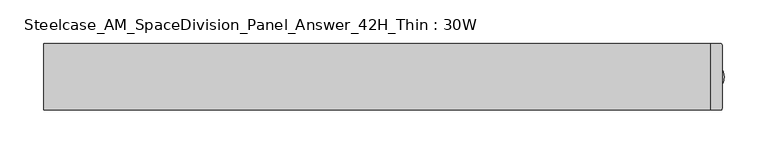
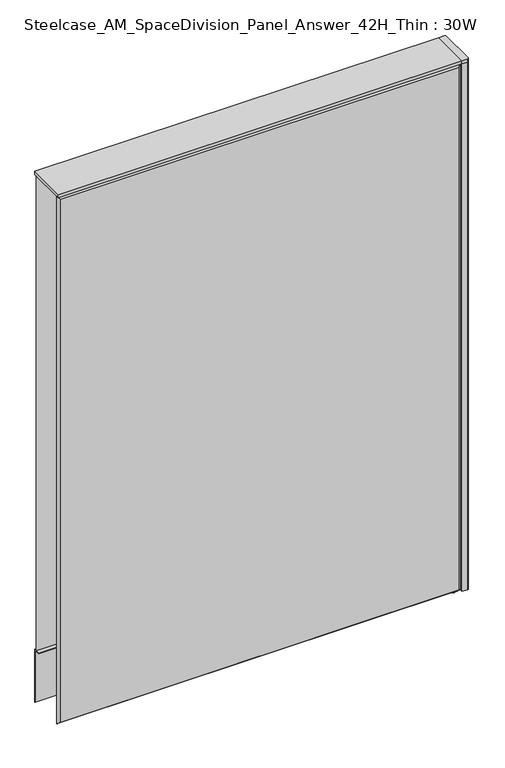
"""IFC4 building model written with IfcOpenShell, lengths in millimetres: furniture geometry, Steelcase_AM_SpaceDivision_Panel_Answer_42H_Thin : 30W."""

import ifcopenshell
import ifcopenshell.guid

model = None  # the IFC model being written
_history = None  # IfcOwnerHistory: only IFC2X3 demands one
_inside = {}  # id of a spatial element -> (the spatial element, [elements in it])
_under = {}  # id of a project, library or spatial element -> (it, [spatial elements below it])
_declared = {}  # id of a project -> (the project, [libraries it declares])
_typed = {}  # id of a type object -> (the type object, [elements of that type])
_made_of = {}  # id of a material, layer set ... -> (it, [elements and type objects made of it])


def new_model(schema):
    """Start an empty IFC model of exactly this schema.

    Asked for "IFC4X3", IfcOpenShell would pick the latest addendum, in which some entities
    have other attributes; the version numbers below select the first issue.
    IFC2X3 requires an IfcOwnerHistory on every rooted entity: one is made here for all.
    """
    global model, _history
    if schema == "IFC4X3":
        model = ifcopenshell.file(schema_version=(4, 3, 0, 0))
    else:
        model = ifcopenshell.file(schema=schema)
    _inside.clear()
    _under.clear()
    _declared.clear()
    _typed.clear()
    _made_of.clear()
    _history = None
    if model.schema == "IFC2X3":
        org = make("IfcOrganization", Name="unknown")
        user = make(
            "IfcPersonAndOrganization",
            ThePerson=make("IfcPerson", FamilyName="unknown"),
            TheOrganization=org,
        )
        app = make(
            "IfcApplication",
            ApplicationDeveloper=org,
            Version="unknown",
            ApplicationFullName="unknown",
            ApplicationIdentifier="unknown",
        )
        _history = make(
            "IfcOwnerHistory",
            OwningUser=user,
            OwningApplication=app,
            ChangeAction="ADDED",
            CreationDate=0,
        )
    return model


def make(cls, **values):
    """One entity of the class cls with the attributes given. An attribute that is None is left unset."""
    return model.create_entity(
        cls, **{name: value for name, value in values.items() if value is not None}
    )


def rooted(cls, **values):
    """An entity with a GlobalId (a new one), such as an element, a storey or a relation."""
    return make(cls, GlobalId=ifcopenshell.guid.new(), OwnerHistory=_history, **values)


def si_unit(unit_type, name, prefix=None):
    """IfcSIUnit, for example si_unit("LENGTHUNIT", "METRE", prefix="MILLI")."""
    return make("IfcSIUnit", UnitType=unit_type, Prefix=prefix, Name=name)


def assignment(units):
    """IfcUnitAssignment: the units of a project."""
    return None if units is None else make("IfcUnitAssignment", Units=units)


def point(xyz):
    """IfcCartesianPoint."""
    return None if xyz is None else make("IfcCartesianPoint", Coordinates=xyz)


def direction(xyz):
    """IfcDirection."""
    return None if xyz is None else make("IfcDirection", DirectionRatios=xyz)


def frame(location, z_axis=None, x_axis=None):
    """IfcAxis2Placement3D, a coordinate frame: its origin and axes. An axis left out is left unset."""
    return make(
        "IfcAxis2Placement3D",
        Location=point(location),
        Axis=direction(z_axis),
        RefDirection=direction(x_axis),
    )


def frame_2d(location, x_axis=None):
    """IfcAxis2Placement2D, a coordinate frame in the plane: its origin and x axis."""
    return make(
        "IfcAxis2Placement2D", Location=point(location), RefDirection=direction(x_axis)
    )


def origin():
    """The frame at (0, 0, 0) with its axes left unset."""
    return frame((0.0, 0.0, 0.0))


def place(relative_to, where):
    """IfcLocalPlacement: puts the frame where relative to a parent placement (None: the world)."""
    return make(
        "IfcLocalPlacement", PlacementRelTo=relative_to, RelativePlacement=where
    )


def context(
    kind, dimensions, precision=None, world=None, true_north=None, identifier=None
):
    """IfcGeometricRepresentationContext, for example the 3D "Model" context."""
    return make(
        "IfcGeometricRepresentationContext",
        ContextIdentifier=identifier,
        ContextType=kind,
        CoordinateSpaceDimension=dimensions,
        Precision=precision,
        WorldCoordinateSystem=world,
        TrueNorth=true_north,
    )


def project(units=None, contexts=None):
    """IfcProject with its units and contexts."""
    return rooted(
        "IfcProject",
        Name="project",
        RepresentationContexts=contexts,
        UnitsInContext=assignment(units),
    )


def spatial(cls, under=None, at=None, **own):
    """A site, building, storey or space (cls), placed at a placement, below another one or the project."""
    s = rooted(cls, ObjectPlacement=at, **own)
    if under is not None:
        _under.setdefault(under.id(), (under, []))[1].append(s)
    return s


def polyline(points):
    """IfcPolyline through the points."""
    return make("IfcPolyline", Points=[point(p) for p in points])


def circle_curve(where, radius):
    """IfcCircle in the frame where."""
    return make("IfcCircle", Position=where, Radius=radius)


def trimmed(basis, trim1, trim2, sense, master):
    """IfcTrimmedCurve: the piece of a basis curve between two trims."""
    return make(
        "IfcTrimmedCurve",
        BasisCurve=basis,
        Trim1=trim1,
        Trim2=trim2,
        SenseAgreement=sense,
        MasterRepresentation=master,
    )


def segment(curve, same_sense, transition):
    """IfcCompositeCurveSegment."""
    return make(
        "IfcCompositeCurveSegment",
        Transition=transition,
        SameSense=same_sense,
        ParentCurve=curve,
    )


def composite_curve(segments, self_intersect=None):
    """IfcCompositeCurve: segments joined end to end."""
    return make("IfcCompositeCurve", Segments=segments, SelfIntersect=self_intersect)


def outline(outer, holes=None, kind="AREA"):
    """IfcArbitraryClosedProfileDef: a profile drawn as a closed curve; with holes, ...WithVoids."""
    if holes is None:
        return make("IfcArbitraryClosedProfileDef", ProfileType=kind, OuterCurve=outer)
    return make(
        "IfcArbitraryProfileDefWithVoids",
        ProfileType=kind,
        OuterCurve=outer,
        InnerCurves=holes,
    )


def extrude(swept, where, along, depth):
    """IfcExtrudedAreaSolid: the profile swept, set in the frame where, extruded along a direction by depth."""
    return make(
        "IfcExtrudedAreaSolid",
        SweptArea=swept,
        Position=where,
        ExtrudedDirection=direction(along),
        Depth=depth,
    )


def faces_of(points, faces, orient=None, outer=None):
    """IfcFace entities. A face is a list of loops; a loop is a list of indices into points, from 0.

    orient and outer hold one flag for each loop. By default every Orientation is true, the
    first loop of a face is its IfcFaceOuterBound and the others are IfcFaceBound.
    """
    made = []
    for i, loops in enumerate(faces):
        bounds = []
        for j, loop in enumerate(loops):
            is_outer = j == 0 if outer is None else outer[i][j]
            bounds.append(
                make(
                    "IfcFaceOuterBound" if is_outer else "IfcFaceBound",
                    Bound=make("IfcPolyLoop", Polygon=[points[k] for k in loop]),
                    Orientation=True if orient is None else orient[i][j],
                )
            )
        made.append(make("IfcFace", Bounds=bounds))
    return made


def faceted_brep(points, faces, orient=None, outer=None, voids=None):
    """IfcFacetedBrep: a solid bounded by flat faces; with voids (closed shells), ...WithVoids."""
    shared = [point(p) for p in points]
    hull = make("IfcClosedShell", CfsFaces=faces_of(shared, faces, orient, outer))
    if voids is None:
        return make("IfcFacetedBrep", Outer=hull)
    return make(
        "IfcFacetedBrepWithVoids",
        Outer=hull,
        Voids=[
            make(cls, CfsFaces=faces_of(shared, fs, o, b)) for cls, fs, o, b in voids
        ],
    )


def shape(context_of_items, identifier, shape_type, items):
    """IfcShapeRepresentation: the items that make up one representation, for example the "Body"."""
    return make(
        "IfcShapeRepresentation",
        ContextOfItems=context_of_items,
        RepresentationIdentifier=identifier,
        RepresentationType=shape_type,
        Items=items,
    )


def source(mapping_origin, context_of_items, identifier, shape_type, items):
    """IfcRepresentationMap: a shape defined once, which mapped items show again and again."""
    return make(
        "IfcRepresentationMap",
        MappingOrigin=mapping_origin,
        MappedRepresentation=shape(context_of_items, identifier, shape_type, items),
    )


def transform(
    local_origin,
    x_axis=None,
    y_axis=None,
    z_axis=None,
    scale=None,
    scale2=None,
    scale3=None,
    uniform=True,
):
    """IfcCartesianTransformationOperator3D, or its non-uniform kind. x_axis, y_axis, z_axis: its Axis1, 2, 3."""
    if uniform:
        return make(
            "IfcCartesianTransformationOperator3D",
            Axis1=direction(x_axis),
            Axis2=direction(y_axis),
            LocalOrigin=point(local_origin),
            Scale=scale,
            Axis3=direction(z_axis),
        )
    return make(
        "IfcCartesianTransformationOperator3DnonUniform",
        Axis1=direction(x_axis),
        Axis2=direction(y_axis),
        LocalOrigin=point(local_origin),
        Scale=scale,
        Axis3=direction(z_axis),
        Scale2=scale2,
        Scale3=scale3,
    )


def mapped(mapping_source, mapping_target):
    """IfcMappedItem: shows the shape of a source again, moved by a transform."""
    return make(
        "IfcMappedItem", MappingSource=mapping_source, MappingTarget=mapping_target
    )


def made_of(thing, what):
    """Note that an element or type object is made of a material, layer set ...; save() writes the relation."""
    if what is not None:
        _made_of.setdefault(what.id(), (what, []))[1].append(thing)
    return thing


def element(
    cls,
    number,
    at=None,
    inside=None,
    cuts=None,
    type_object=None,
    material=None,
    context=None,
    identifier="Body",
    shape_type=None,
    held_by="IfcProductDefinitionShape",
    body=None,
    shapes=None,
    **own,
):
    """One element of the class cls, such as IfcWall. Its Tag is "e" and its number.

    at: its placement. inside: the storey or other place that contains it. cuts: it is an
    opening in that element (IfcRelVoidsElement). A single representation is given by context,
    identifier, shape_type and body (its items); several are given by shapes. held_by: the class
    of the entity that holds the representations. save() writes the other relations.
    """
    e = rooted(cls, Tag="e%d" % number, ObjectPlacement=at, **own)
    if body is not None:
        shapes = [shape(context, identifier, shape_type, body)]
    if shapes is not None:
        e.Representation = make(held_by, Representations=shapes)
    if inside is not None:
        _inside.setdefault(inside.id(), (inside, []))[1].append(e)
    if cuts is not None:
        rooted(
            "IfcRelVoidsElement", RelatingBuildingElement=cuts, RelatedOpeningElement=e
        )
    if type_object is not None:
        _typed.setdefault(type_object.id(), (type_object, []))[1].append(e)
    return made_of(e, material)


def aggregate(whole, parts):
    """IfcRelAggregates: a whole, such as a stair, and the parts it consists of."""
    return rooted("IfcRelAggregates", RelatingObject=whole, RelatedObjects=parts)


def save(model, path):
    """Write the relations noted so far, then the file.

    IfcRelAggregates (storeys below a building ...), IfcRelContainedInSpatialStructure (elements
    in a storey), IfcRelDefinesByType, IfcRelAssociatesMaterial and IfcRelDeclares: one each for
    every whole, place, type object, material and project.
    """
    for whole, parts in _under.values():
        aggregate(whole, parts)
    for where, things in _inside.values():
        rooted(
            "IfcRelContainedInSpatialStructure",
            RelatedElements=things,
            RelatingStructure=where,
        )
    for kind, things in _typed.values():
        rooted("IfcRelDefinesByType", RelatedObjects=things, RelatingType=kind)
    for what, things in _made_of.values():
        rooted("IfcRelAssociatesMaterial", RelatedObjects=things, RelatingMaterial=what)
    for by, libraries in _declared.values():
        rooted("IfcRelDeclares", RelatingContext=by, RelatedDefinitions=libraries)
    model.write(path)


def steelcase_am_spacedivision_panel_answer_42h_thin_30w_ed935725(model_context):
    return source(origin(), model_context, "Body", "SolidModel", [
        extrude(outline(polyline([(37.3075215, 119.8575157), (25.4000011, 119.8575157), (25.4000011, 120.65), (38.1000194, 120.65), (38.1000194, 15.494), (37.3075215, 15.494), (37.3075215, 119.8575157)])), frame((-381.0, 0.0, 0.0), z_axis=(1.0, 0.0, 0.0), x_axis=(0.0, 1.0, 0.0)), (0.0, 0.0, 1.0), 762.0),
        extrude(outline(composite_curve([segment(trimmed(circle_curve(frame_2d((381.0, 1.94e-05)), 5.08), [point((386.08, 1.94e-05))], [point((375.92, 1.94e-05))], False, "CARTESIAN"), True, "CONTINUOUS"), segment(trimmed(circle_curve(frame_2d((381.0, 1.94e-05)), 5.08), [point((375.92, 1.94e-05))], [point((386.08, 1.94e-05))], False, "CARTESIAN"), True, "CONTINUOUS")], self_intersect=False)), frame((0.0, 0.0, 5.0799671), z_axis=(0.0, 0.0, 1.0), x_axis=(1.0, 0.0, 0.0)), (0.0, 0.0, 1.0), 10.414),
        extrude(outline(composite_curve([segment(trimmed(circle_curve(frame_2d((381.0, 1.94e-05)), 15.24), [point((396.24, 1.94e-05))], [point((365.76, 1.94e-05))], False, "CARTESIAN"), True, "CONTINUOUS"), segment(trimmed(circle_curve(frame_2d((381.0, 1.94e-05)), 15.24), [point((365.76, 1.94e-05))], [point((396.24, 1.94e-05))], False, "CARTESIAN"), True, "CONTINUOUS")], self_intersect=False)), frame((0.0, 0.0, -3.29e-05), z_axis=(0.0, 0.0, 1.0), x_axis=(1.0, 0.0, 0.0)), (0.0, 0.0, 1.0), 5.08),
        extrude(outline(composite_curve([segment(trimmed(circle_curve(frame_2d((391.922, -36.322)), 1.778), [point((393.7, -36.322))], [point((391.922, -38.1))], False, "CARTESIAN"), True, "CONTINUOUS"), segment(polyline([(391.922, -38.1), (381.0, -38.1), (381.0, 38.1), (391.922, 38.1)]), True, "CONTINUOUS"), segment(trimmed(circle_curve(frame_2d((391.922, 36.322)), 1.778), [point((391.922, 38.1))], [point((393.7, 36.322))], False, "CARTESIAN"), True, "CONTINUOUS"), segment(polyline([(393.7, 36.322), (393.7, -36.322)]), True, "CONTINUOUS")], self_intersect=False)), frame((0.0, 0.0, 1066.7999671), z_axis=(0.0, 0.0, 1.0), x_axis=(1.0, 0.0, 0.0)), (0.0, 0.0, 1.0), 6.35),
        extrude(outline(composite_curve([segment(trimmed(circle_curve(frame_2d((391.922, -36.322)), 1.778), [point((393.7, -36.322))], [point((391.922, -38.1))], False, "CARTESIAN"), True, "CONTINUOUS"), segment(polyline([(391.922, -38.1), (381.0, -38.1), (381.0, 38.1), (391.922, 38.1)]), True, "CONTINUOUS"), segment(trimmed(circle_curve(frame_2d((391.922, 36.322)), 1.778), [point((391.922, 38.1))], [point((393.7, 36.322))], False, "CARTESIAN"), True, "CONTINUOUS"), segment(polyline([(393.7, 36.322), (393.7, -36.322)]), True, "CONTINUOUS")], self_intersect=False)), frame((0.0, 0.0, 15.4939671), z_axis=(0.0, 0.0, 1.0), x_axis=(1.0, 0.0, 0.0)), (0.0, 0.0, 1.0), 1051.306),
        faceted_brep([(-381.0, -33.2700541, 1066.8), (381.0, -33.2700541, 1066.8), (381.0, -33.2700541, 15.494), (-381.0, -33.2700541, 15.494), (-376.174, -38.0960541, 1061.974), (376.174, -38.0960541, 1061.974), (-376.174, -38.0960541, 20.32), (376.174, -38.0960541, 20.32)], [[[0, 1, 2, 3]], [[0, 4, 5, 1]], [[4, 6, 7, 5]], [[1, 5, 7, 2]], [[2, 7, 6, 3]], [[3, 6, 4, 0]]]),
        faceted_brep([(381.0, 33.2700541, 1066.8), (-381.0, 33.2700541, 1066.8), (-381.0, 33.2700541, 120.65), (381.0, 33.2700541, 120.65), (376.174, 38.0960541, 1061.974), (-376.174, 38.0960541, 1061.974), (376.174, 38.0960541, 125.476), (-376.174, 38.0960541, 125.476)], [[[0, 1, 2, 3]], [[0, 4, 5, 1]], [[4, 6, 7, 5]], [[1, 5, 7, 2]], [[2, 7, 6, 3]], [[3, 6, 4, 0]]]),
        extrude(outline(polyline([(381.0, -38.1000194), (-381.0, -38.1000194), (-381.0, 38.1000194), (381.0, 38.1000194), (381.0, -38.1000194)])), frame((0.0, 0.0, 1066.8), z_axis=(0.0, 0.0, 1.0), x_axis=(1.0, 0.0, 0.0)), (0.0, 0.0, 1.0), 6.35),
    ])


if __name__ == "__main__":
    model = new_model("IFC4")
    model_context = context("Model", 3, world=origin())
    ifc_project = project(units=[si_unit("LENGTHUNIT", "METRE", prefix="MILLI")], contexts=[model_context])
    site = spatial("IfcSite", under=ifc_project)
    building = spatial("IfcBuilding", under=site)
    placement = place(None, origin())
    steelcase_am_spacedivision_panel_answer_42h_thin_30w_shape = steelcase_am_spacedivision_panel_answer_42h_thin_30w_ed935725(model_context)
    element("IfcFurniture", 1, ObjectType="Steelcase_AM_SpaceDivision_Panel_Answer_42H_Thin : 30W", at=placement, inside=building, context=model_context, shape_type="MappedRepresentation", body=[
        mapped(steelcase_am_spacedivision_panel_answer_42h_thin_30w_shape, transform((0.0, 0.0, 0.0), x_axis=(1.0, 0.0, 0.0), y_axis=(0.0, 1.0, 0.0), z_axis=(0.0, 0.0, 1.0))),
    ])
    save(model, "model.ifc")
